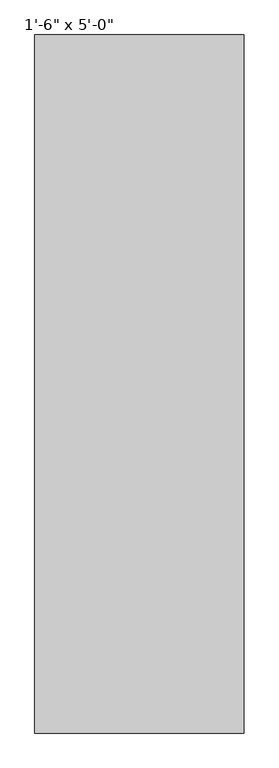
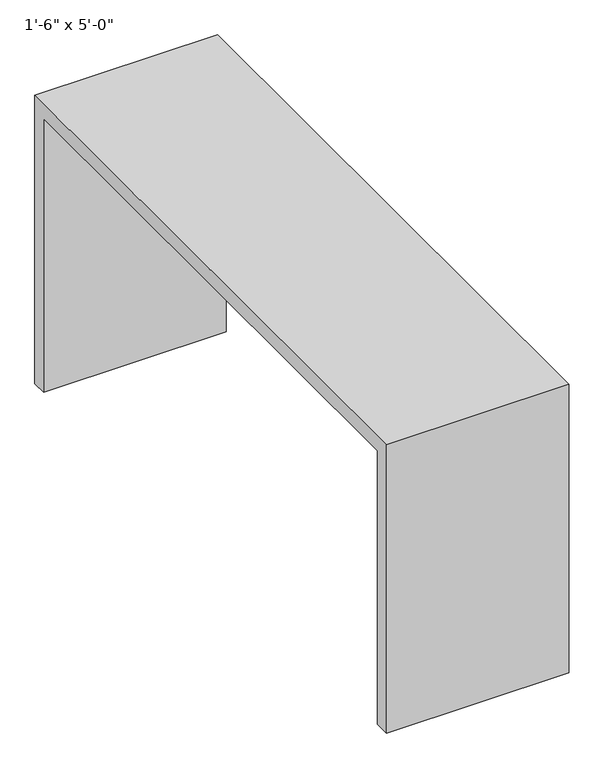
"""IFC4 building model written with IfcOpenShell, lengths in millimetres: furniture geometry."""

from ifc_helpers import new_model, si_unit, frame, origin, place, context, project, spatial, polyline, outline, extrude, source, transform, mapped, element, save


def furniture_0139568b(model_context):
    return source(origin(), model_context, "Body", "SweptSolid", [
        extrude(outline(polyline([(38.1, 0.0), (0.0, 0.0), (0.0, 762.0), (1524.0, 762.0), (1524.0, 0.0), (1485.9, 0.0), (1485.9, 723.9), (38.1, 723.9), (38.1, 0.0)])), frame((-228.6, 0.0, 0.0), z_axis=(1.0, 0.0, 0.0), x_axis=(0.0, 1.0, 0.0)), (0.0, 0.0, 1.0), 457.2),
    ])


if __name__ == "__main__":
    model = new_model("IFC4")
    model_context = context("Model", 3, world=origin())
    ifc_project = project(units=[si_unit("LENGTHUNIT", "METRE", prefix="MILLI")], contexts=[model_context])
    site = spatial("IfcSite", under=ifc_project)
    building = spatial("IfcBuilding", under=site)
    placement = place(None, origin())
    furniture_shape = furniture_0139568b(model_context)
    element("IfcFurniture", 1, ObjectType="1'-6\" x 5'-0\"", at=placement, inside=building, context=model_context, shape_type="MappedRepresentation", body=[
        mapped(furniture_shape, transform((0.0, 0.0, 0.0), x_axis=(1.0, 0.0, 0.0), y_axis=(0.0, 1.0, 0.0), z_axis=(0.0, 0.0, 1.0))),
    ])
    save(model, "model.ifc")
